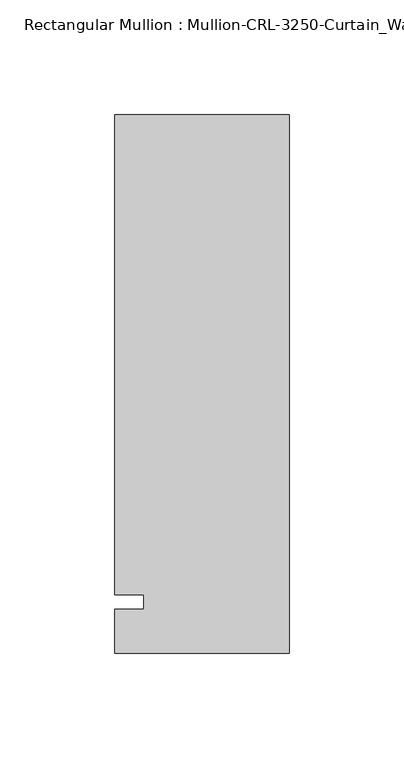
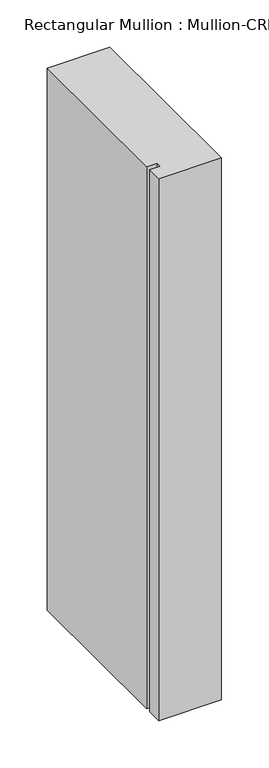
"""IFC4 building model written with IfcOpenShell, lengths in millimetres: member geometry."""

from ifc_helpers import new_model, si_unit, frame, origin, place, context, project, spatial, polyline, outline, extrude, source, transform, mapped, element, save


def member_77260e6c(model_context):
    return source(origin(), model_context, "Body", "SweptSolid", [
        extrude(outline(polyline([(-76.199997, -3.175), (-63.499997, -3.175), (-63.499997, 3.175), (-76.199997, 3.175), (-76.199997, 212.725), (0.0, 212.725), (0.0, -22.2254168), (-76.199997, -22.2254168), (-76.199997, -3.175)])), frame((0.0, 0.0, -698.3166731), z_axis=(0.0, 0.0, 1.0), x_axis=(1.0, 0.0, 0.0)), (0.0, 0.0, 1.0), 698.3166731),
    ])


if __name__ == "__main__":
    model = new_model("IFC4")
    model_context = context("Model", 3, world=origin())
    ifc_project = project(units=[si_unit("LENGTHUNIT", "METRE", prefix="MILLI")], contexts=[model_context])
    site = spatial("IfcSite", under=ifc_project)
    building = spatial("IfcBuilding", under=site)
    placement = place(None, origin())
    member_shape = member_77260e6c(model_context)
    element("IfcMember", 1, ObjectType="Rectangular Mullion : Mullion-CRL-3250-Curtain_Wall-Sill-8\"", at=placement, inside=building, context=model_context, shape_type="MappedRepresentation", body=[
        mapped(member_shape, transform((0.0, 0.0, 0.0), x_axis=(1.0, 0.0, 0.0), y_axis=(0.0, 1.0, 0.0), z_axis=(0.0, 0.0, 1.0))),
    ])
    save(model, "model.ifc")
